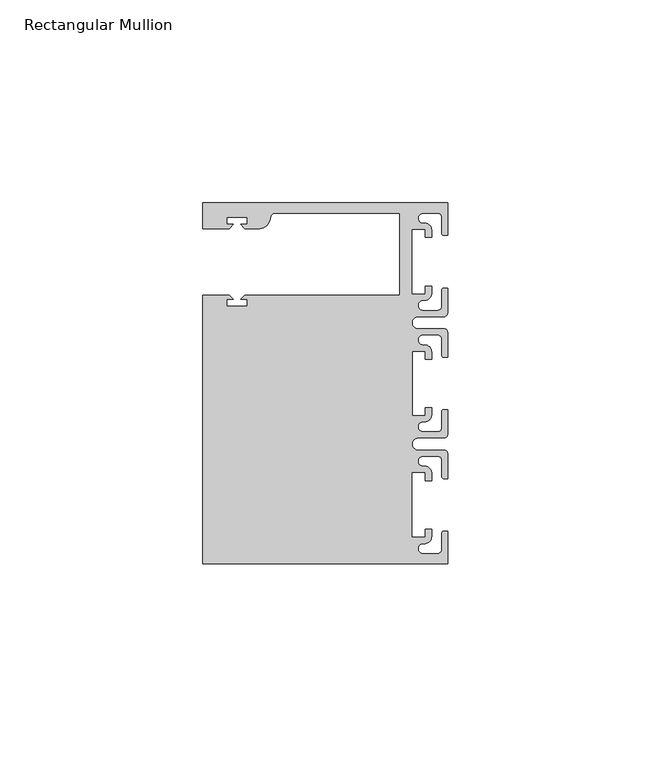
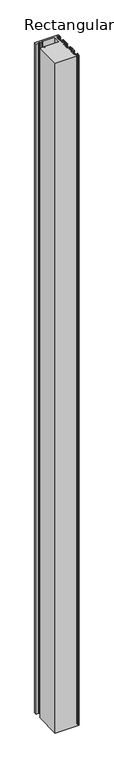
"""IFC4 building model written with IfcOpenShell, lengths in millimetres: member geometry, Rectangular Mullion."""

from ifc_helpers import new_model, si_unit, point, frame, frame_2d, origin, place, context, project, spatial, polyline, circle_curve, trimmed, segment, composite_curve, outline, extrude, source, transform, mapped, element, save


def rectangular_mullion_ff20a979(model_context):
    return source(origin(), model_context, "Body", "SweptSolid", [
        extrude(outline(composite_curve([segment(polyline([(0.0, 44.45), (0.0, 36.4500318), (-1.0, 36.4500318)]), True, "CONTINUOUS"), segment(trimmed(circle_curve(frame_2d((-1.0, 36.9500318)), 0.5), [point((-1.0, 36.4500318))], [point((-1.5, 36.9500318))], False, "CARTESIAN"), True, "CONTINUOUS"), segment(polyline([(-1.5, 36.9500318), (-1.5, 40.95)]), True, "CONTINUOUS"), segment(trimmed(circle_curve(frame_2d((-2.5, 40.95)), 1.0), [point((-1.5, 40.95))], [point((-2.5, 41.95))], True, "CARTESIAN"), True, "CONTINUOUS"), segment(polyline([(-2.5, 41.95), (-6.0499986, 41.95)]), True, "CONTINUOUS"), segment(trimmed(circle_curve(frame_2d((-6.0499986, 40.6999986)), 1.2500014), [point((-6.0499986, 41.95))], [point((-5.9027291, 39.4587029))], True, "CARTESIAN"), True, "CONTINUOUS"), segment(trimmed(circle_curve(frame_2d((-5.7186029, 37.7499972)), 1.7185975), [point((-5.9027291, 39.4587029))], [point((-4.0000054, 37.7499972))], False, "CARTESIAN"), True, "CONTINUOUS"), segment(polyline([(-4.0000054, 37.7499972), (-4.0000054, 35.9500318), (-5.5, 35.9500318), (-5.5, 37.9499972), (-8.8585786, 37.9499972), (-8.8585786, 21.9499956), (-5.5, 21.9499956), (-5.5, 23.9499611), (-3.9999946, 23.9499611), (-3.9999946, 22.0272972)]), True, "CONTINUOUS"), segment(trimmed(circle_curve(frame_2d((-5.7543344, 22.1865598)), 1.761554), [point((-3.9999946, 22.0272972))], [point((-6.0499986, 20.4499956))], False, "CARTESIAN"), True, "CONTINUOUS"), segment(trimmed(circle_curve(frame_2d((-6.0499986, 19.1999942)), 1.2500014), [point((-6.0499986, 20.4499956))], [point((-6.0499986, 17.9499929))], True, "CARTESIAN"), True, "CONTINUOUS"), segment(polyline([(-6.0499986, 17.9499929), (-2.5, 17.9499929)]), True, "CONTINUOUS"), segment(trimmed(circle_curve(frame_2d((-2.5, 18.9499929)), 1.0), [point((-2.5, 17.9499929))], [point((-1.5, 18.9499929))], True, "CARTESIAN"), True, "CONTINUOUS"), segment(polyline([(-1.5, 18.9499929), (-1.5, 22.9499611)]), True, "CONTINUOUS"), segment(trimmed(circle_curve(frame_2d((-1.0, 22.9499611)), 0.5), [point((-1.5, 22.9499611))], [point((-1.0, 23.4499611))], False, "CARTESIAN"), True, "CONTINUOUS"), segment(polyline([(-1.0, 23.4499611), (0.0, 23.4499611), (0.0, 17.4499929)]), True, "CONTINUOUS"), segment(trimmed(circle_curve(frame_2d((-1.0, 17.4499929)), 1.0), [point((0.0, 17.4499929))], [point((-1.0, 16.4499929))], False, "CARTESIAN"), True, "CONTINUOUS"), segment(polyline([(-1.0, 16.4499929), (-7.3, 16.4499929)]), True, "CONTINUOUS"), segment(trimmed(circle_curve(frame_2d((-7.3, 14.9499929)), 1.5), [point((-7.3, 16.4499929))], [point((-7.3046244, 13.45))], True, "CARTESIAN"), True, "CONTINUOUS"), segment(polyline([(-7.3046244, 13.45), (-1.0, 13.45)]), True, "CONTINUOUS"), segment(trimmed(circle_curve(frame_2d((-1.0, 12.45)), 1.0), [point((-1.0, 13.45))], [point((0.0, 12.45))], False, "CARTESIAN"), True, "CONTINUOUS"), segment(polyline([(0.0, 12.45), (0.0, 6.4500354), (-0.9999964, 6.4500354)]), True, "CONTINUOUS"), segment(trimmed(circle_curve(frame_2d((-0.9999964, 6.9500354)), 0.5), [point((-0.9999964, 6.4500354))], [point((-1.4999964, 6.9500354))], False, "CARTESIAN"), True, "CONTINUOUS"), segment(polyline([(-1.4999964, 6.9500354), (-1.4999964, 10.95)]), True, "CONTINUOUS"), segment(trimmed(circle_curve(frame_2d((-2.4999964, 10.95)), 1.0), [point((-1.4999964, 10.95))], [point((-2.4999964, 11.95))], True, "CARTESIAN"), True, "CONTINUOUS"), segment(polyline([(-2.4999964, 11.95), (-6.0499986, 11.95)]), True, "CONTINUOUS"), segment(trimmed(circle_curve(frame_2d((-6.0499986, 10.6999986)), 1.2500014), [point((-6.0499986, 11.95))], [point((-6.0499986, 9.4499972))], True, "CARTESIAN"), True, "CONTINUOUS"), segment(trimmed(circle_curve(frame_2d((-5.7298824, 7.7499972)), 1.729877), [point((-6.0499986, 9.4499972))], [point((-4.0000054, 7.7499972))], False, "CARTESIAN"), True, "CONTINUOUS"), segment(polyline([(-4.0000054, 7.7499972), (-4.0000054, 5.9500318), (-5.5, 5.9500318), (-5.5, 7.9499972), (-8.8, 7.9499972), (-8.8, -7.9499972), (-5.5, -7.9499972), (-5.5, -5.9500318), (-4.0000054, -5.9500318), (-4.0000054, -7.7499972)]), True, "CONTINUOUS"), segment(trimmed(circle_curve(frame_2d((-5.7298824, -7.7499972)), 1.729877), [point((-4.0000054, -7.7499972))], [point((-6.0499986, -9.4499972))], False, "CARTESIAN"), True, "CONTINUOUS"), segment(trimmed(circle_curve(frame_2d((-6.0499986, -10.6999986)), 1.2500014), [point((-6.0499986, -9.4499972))], [point((-6.0499986, -11.95))], True, "CARTESIAN"), True, "CONTINUOUS"), segment(polyline([(-6.0499986, -11.95), (-2.4999964, -11.95)]), True, "CONTINUOUS"), segment(trimmed(circle_curve(frame_2d((-2.4999964, -10.95)), 1.0), [point((-2.4999964, -11.95))], [point((-1.4999964, -10.95))], True, "CARTESIAN"), True, "CONTINUOUS"), segment(polyline([(-1.4999964, -10.95), (-1.4999964, -6.9500354)]), True, "CONTINUOUS"), segment(trimmed(circle_curve(frame_2d((-0.9999964, -6.9500354)), 0.5), [point((-1.4999964, -6.9500354))], [point((-0.9999964, -6.4500354))], False, "CARTESIAN"), True, "CONTINUOUS"), segment(polyline([(-0.9999964, -6.4500354), (0.0, -6.4500354), (0.0, -12.45)]), True, "CONTINUOUS"), segment(trimmed(circle_curve(frame_2d((-1.0, -12.45)), 1.0), [point((0.0, -12.45))], [point((-1.0, -13.45))], False, "CARTESIAN"), True, "CONTINUOUS"), segment(polyline([(-1.0, -13.45), (-7.3046244, -13.45)]), True, "CONTINUOUS"), segment(trimmed(circle_curve(frame_2d((-7.3, -14.9499929)), 1.5), [point((-7.3046244, -13.45))], [point((-7.3, -16.4499929))], True, "CARTESIAN"), True, "CONTINUOUS"), segment(polyline([(-7.3, -16.4499929), (-1.0, -16.4499929)]), True, "CONTINUOUS"), segment(trimmed(circle_curve(frame_2d((-1.0, -17.4499929)), 1.0), [point((-1.0, -16.4499929))], [point((0.0, -17.4499929))], False, "CARTESIAN"), True, "CONTINUOUS"), segment(polyline([(0.0, -17.4499929), (0.0, -23.4499611), (-1.0, -23.4499611)]), True, "CONTINUOUS"), segment(trimmed(circle_curve(frame_2d((-1.0, -22.9499611)), 0.5), [point((-1.0, -23.4499611))], [point((-1.5, -22.9499611))], False, "CARTESIAN"), True, "CONTINUOUS"), segment(polyline([(-1.5, -22.9499611), (-1.5, -18.9499929)]), True, "CONTINUOUS"), segment(trimmed(circle_curve(frame_2d((-2.5, -18.9499929)), 1.0), [point((-1.5, -18.9499929))], [point((-2.5, -17.9499929))], True, "CARTESIAN"), True, "CONTINUOUS"), segment(polyline([(-2.5, -17.9499929), (-6.0499986, -17.9499929)]), True, "CONTINUOUS"), segment(trimmed(circle_curve(frame_2d((-6.0499986, -19.1999942)), 1.2500014), [point((-6.0499986, -17.9499929))], [point((-6.0499986, -20.4499956))], True, "CARTESIAN"), True, "CONTINUOUS"), segment(trimmed(circle_curve(frame_2d((-5.7543344, -22.1865598)), 1.761554), [point((-6.0499986, -20.4499956))], [point((-3.9999946, -22.0272972))], False, "CARTESIAN"), True, "CONTINUOUS"), segment(polyline([(-3.9999946, -22.0272972), (-3.9999946, -23.9499611), (-5.5, -23.9499611), (-5.5, -21.9499956), (-8.8585786, -21.9499956), (-8.8585786, -37.9499972), (-5.5, -37.9499972), (-5.5, -35.9500318), (-4.0000054, -35.9500318), (-4.0000054, -37.7499972)]), True, "CONTINUOUS"), segment(trimmed(circle_curve(frame_2d((-5.7186029, -37.7499972)), 1.7185975), [point((-4.0000054, -37.7499972))], [point((-5.9027291, -39.4587029))], False, "CARTESIAN"), True, "CONTINUOUS"), segment(trimmed(circle_curve(frame_2d((-6.0499986, -40.6999986)), 1.2500014), [point((-5.9027291, -39.4587029))], [point((-6.0499986, -41.95))], True, "CARTESIAN"), True, "CONTINUOUS"), segment(polyline([(-6.0499986, -41.95), (-2.5, -41.95)]), True, "CONTINUOUS"), segment(trimmed(circle_curve(frame_2d((-2.5, -40.95)), 1.0), [point((-2.5, -41.95))], [point((-1.5, -40.95))], True, "CARTESIAN"), True, "CONTINUOUS"), segment(polyline([(-1.5, -40.95), (-1.5, -36.9500318)]), True, "CONTINUOUS"), segment(trimmed(circle_curve(frame_2d((-1.0, -36.9500318)), 0.5), [point((-1.5, -36.9500318))], [point((-1.0, -36.4500318))], False, "CARTESIAN"), True, "CONTINUOUS"), segment(polyline([(-1.0, -36.4500318), (0.0, -36.4500318), (0.0, -44.45), (-60.325, -44.45), (-60.325, 21.749999), (-53.8507562, 21.749999), (-52.8507405, 20.7499834), (-54.4250134, 20.7499834), (-54.4250134, 18.949936), (-49.4250186, 18.949936), (-49.4250186, 20.7499834), (-50.999256, 20.7499834), (-49.9992434, 21.7499959), (-11.8, 21.7499959), (-11.8, 41.95), (-42.6099329, 41.95)]), True, "CONTINUOUS"), segment(trimmed(circle_curve(frame_2d((-42.6099329, 40.9500001)), 1.0), [point((-42.6099329, 41.95))], [point((-43.5758588, 41.2088192))], True, "CARTESIAN"), True, "CONTINUOUS"), segment(polyline([(-43.5758588, 41.2088192), (-43.8989707, 40.002949)]), True, "CONTINUOUS"), segment(trimmed(circle_curve(frame_2d((-46.3137853, 40.6499966)), 2.5), [point((-43.8989707, 40.002949))], [point((-46.3137853, 38.1499966))], False, "CARTESIAN"), True, "CONTINUOUS"), segment(polyline([(-46.3137853, 38.1499966), (-49.9992503, 38.1499966), (-50.999256, 39.1500023), (-49.4249831, 39.1500023), (-49.4249831, 40.9498819), (-54.4249778, 40.9498819), (-54.4249778, 39.1500023), (-52.8507405, 39.1500023), (-53.8507531, 38.1499897), (-60.3249977, 38.1499897), (-60.3249977, 44.45), (0.0, 44.45)]), True, "CONTINUOUS")], self_intersect=False)), frame((0.0, 0.0, -1778.0), z_axis=(0.0, 0.0, 1.0), x_axis=(1.0, 0.0, 0.0)), (0.0, 0.0, 1.0), 1778.0),
    ])


if __name__ == "__main__":
    model = new_model("IFC4")
    model_context = context("Model", 3, world=origin())
    ifc_project = project(units=[si_unit("LENGTHUNIT", "METRE", prefix="MILLI")], contexts=[model_context])
    site = spatial("IfcSite", under=ifc_project)
    building = spatial("IfcBuilding", under=site)
    placement = place(None, origin())
    rectangular_mullion_shape = rectangular_mullion_ff20a979(model_context)
    element("IfcMember", 1, ObjectType="Rectangular Mullion", at=placement, inside=building, context=model_context, shape_type="MappedRepresentation", body=[
        mapped(rectangular_mullion_shape, transform((0.0, 0.0, 0.0), x_axis=(1.0, 0.0, 0.0), y_axis=(0.0, 1.0, 0.0), z_axis=(0.0, 0.0, 1.0))),
    ])
    save(model, "model.ifc")
